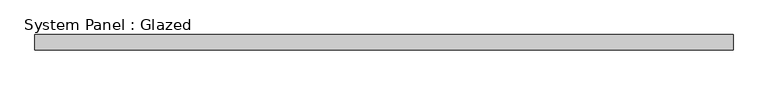
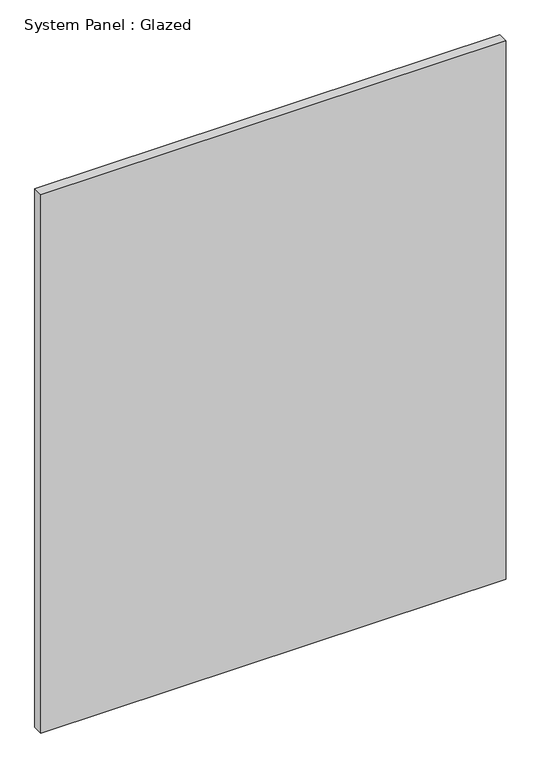
"""IFC4 building model written with IfcOpenShell, lengths in millimetres: plate geometry, System Panel : Glazed."""

import ifcopenshell
import ifcopenshell.guid

model = None  # the IFC model being written
_history = None  # IfcOwnerHistory: only IFC2X3 demands one
_inside = {}  # id of a spatial element -> (the spatial element, [elements in it])
_under = {}  # id of a project, library or spatial element -> (it, [spatial elements below it])
_declared = {}  # id of a project -> (the project, [libraries it declares])
_typed = {}  # id of a type object -> (the type object, [elements of that type])
_made_of = {}  # id of a material, layer set ... -> (it, [elements and type objects made of it])


def new_model(schema):
    """Start an empty IFC model of exactly this schema.

    Asked for "IFC4X3", IfcOpenShell would pick the latest addendum, in which some entities
    have other attributes; the version numbers below select the first issue.
    IFC2X3 requires an IfcOwnerHistory on every rooted entity: one is made here for all.
    """
    global model, _history
    if schema == "IFC4X3":
        model = ifcopenshell.file(schema_version=(4, 3, 0, 0))
    else:
        model = ifcopenshell.file(schema=schema)
    _inside.clear()
    _under.clear()
    _declared.clear()
    _typed.clear()
    _made_of.clear()
    _history = None
    if model.schema == "IFC2X3":
        org = make("IfcOrganization", Name="unknown")
        user = make(
            "IfcPersonAndOrganization",
            ThePerson=make("IfcPerson", FamilyName="unknown"),
            TheOrganization=org,
        )
        app = make(
            "IfcApplication",
            ApplicationDeveloper=org,
            Version="unknown",
            ApplicationFullName="unknown",
            ApplicationIdentifier="unknown",
        )
        _history = make(
            "IfcOwnerHistory",
            OwningUser=user,
            OwningApplication=app,
            ChangeAction="ADDED",
            CreationDate=0,
        )
    return model


def make(cls, **values):
    """One entity of the class cls with the attributes given. An attribute that is None is left unset."""
    return model.create_entity(
        cls, **{name: value for name, value in values.items() if value is not None}
    )


def rooted(cls, **values):
    """An entity with a GlobalId (a new one), such as an element, a storey or a relation."""
    return make(cls, GlobalId=ifcopenshell.guid.new(), OwnerHistory=_history, **values)


def si_unit(unit_type, name, prefix=None):
    """IfcSIUnit, for example si_unit("LENGTHUNIT", "METRE", prefix="MILLI")."""
    return make("IfcSIUnit", UnitType=unit_type, Prefix=prefix, Name=name)


def assignment(units):
    """IfcUnitAssignment: the units of a project."""
    return None if units is None else make("IfcUnitAssignment", Units=units)


def point(xyz):
    """IfcCartesianPoint."""
    return None if xyz is None else make("IfcCartesianPoint", Coordinates=xyz)


def direction(xyz):
    """IfcDirection."""
    return None if xyz is None else make("IfcDirection", DirectionRatios=xyz)


def frame(location, z_axis=None, x_axis=None):
    """IfcAxis2Placement3D, a coordinate frame: its origin and axes. An axis left out is left unset."""
    return make(
        "IfcAxis2Placement3D",
        Location=point(location),
        Axis=direction(z_axis),
        RefDirection=direction(x_axis),
    )


def origin():
    """The frame at (0, 0, 0) with its axes left unset."""
    return frame((0.0, 0.0, 0.0))


def origin_with_axes():
    """The frame at (0, 0, 0) with the z axis (0, 0, 1) and the x axis (1, 0, 0) written out."""
    return frame((0.0, 0.0, 0.0), z_axis=(0.0, 0.0, 1.0), x_axis=(1.0, 0.0, 0.0))


def place(relative_to, where):
    """IfcLocalPlacement: puts the frame where relative to a parent placement (None: the world)."""
    return make(
        "IfcLocalPlacement", PlacementRelTo=relative_to, RelativePlacement=where
    )


def context(
    kind, dimensions, precision=None, world=None, true_north=None, identifier=None
):
    """IfcGeometricRepresentationContext, for example the 3D "Model" context."""
    return make(
        "IfcGeometricRepresentationContext",
        ContextIdentifier=identifier,
        ContextType=kind,
        CoordinateSpaceDimension=dimensions,
        Precision=precision,
        WorldCoordinateSystem=world,
        TrueNorth=true_north,
    )


def project(units=None, contexts=None):
    """IfcProject with its units and contexts."""
    return rooted(
        "IfcProject",
        Name="project",
        RepresentationContexts=contexts,
        UnitsInContext=assignment(units),
    )


def spatial(cls, under=None, at=None, **own):
    """A site, building, storey or space (cls), placed at a placement, below another one or the project."""
    s = rooted(cls, ObjectPlacement=at, **own)
    if under is not None:
        _under.setdefault(under.id(), (under, []))[1].append(s)
    return s


def polyline(points):
    """IfcPolyline through the points."""
    return make("IfcPolyline", Points=[point(p) for p in points])


def outline(outer, holes=None, kind="AREA"):
    """IfcArbitraryClosedProfileDef: a profile drawn as a closed curve; with holes, ...WithVoids."""
    if holes is None:
        return make("IfcArbitraryClosedProfileDef", ProfileType=kind, OuterCurve=outer)
    return make(
        "IfcArbitraryProfileDefWithVoids",
        ProfileType=kind,
        OuterCurve=outer,
        InnerCurves=holes,
    )


def extrude(swept, where, along, depth):
    """IfcExtrudedAreaSolid: the profile swept, set in the frame where, extruded along a direction by depth."""
    return make(
        "IfcExtrudedAreaSolid",
        SweptArea=swept,
        Position=where,
        ExtrudedDirection=direction(along),
        Depth=depth,
    )


def shape(context_of_items, identifier, shape_type, items):
    """IfcShapeRepresentation: the items that make up one representation, for example the "Body"."""
    return make(
        "IfcShapeRepresentation",
        ContextOfItems=context_of_items,
        RepresentationIdentifier=identifier,
        RepresentationType=shape_type,
        Items=items,
    )


def source(mapping_origin, context_of_items, identifier, shape_type, items):
    """IfcRepresentationMap: a shape defined once, which mapped items show again and again."""
    return make(
        "IfcRepresentationMap",
        MappingOrigin=mapping_origin,
        MappedRepresentation=shape(context_of_items, identifier, shape_type, items),
    )


def transform(
    local_origin,
    x_axis=None,
    y_axis=None,
    z_axis=None,
    scale=None,
    scale2=None,
    scale3=None,
    uniform=True,
):
    """IfcCartesianTransformationOperator3D, or its non-uniform kind. x_axis, y_axis, z_axis: its Axis1, 2, 3."""
    if uniform:
        return make(
            "IfcCartesianTransformationOperator3D",
            Axis1=direction(x_axis),
            Axis2=direction(y_axis),
            LocalOrigin=point(local_origin),
            Scale=scale,
            Axis3=direction(z_axis),
        )
    return make(
        "IfcCartesianTransformationOperator3DnonUniform",
        Axis1=direction(x_axis),
        Axis2=direction(y_axis),
        LocalOrigin=point(local_origin),
        Scale=scale,
        Axis3=direction(z_axis),
        Scale2=scale2,
        Scale3=scale3,
    )


def mapped(mapping_source, mapping_target):
    """IfcMappedItem: shows the shape of a source again, moved by a transform."""
    return make(
        "IfcMappedItem", MappingSource=mapping_source, MappingTarget=mapping_target
    )


def made_of(thing, what):
    """Note that an element or type object is made of a material, layer set ...; save() writes the relation."""
    if what is not None:
        _made_of.setdefault(what.id(), (what, []))[1].append(thing)
    return thing


def element(
    cls,
    number,
    at=None,
    inside=None,
    cuts=None,
    type_object=None,
    material=None,
    context=None,
    identifier="Body",
    shape_type=None,
    held_by="IfcProductDefinitionShape",
    body=None,
    shapes=None,
    **own,
):
    """One element of the class cls, such as IfcWall. Its Tag is "e" and its number.

    at: its placement. inside: the storey or other place that contains it. cuts: it is an
    opening in that element (IfcRelVoidsElement). A single representation is given by context,
    identifier, shape_type and body (its items); several are given by shapes. held_by: the class
    of the entity that holds the representations. save() writes the other relations.
    """
    e = rooted(cls, Tag="e%d" % number, ObjectPlacement=at, **own)
    if body is not None:
        shapes = [shape(context, identifier, shape_type, body)]
    if shapes is not None:
        e.Representation = make(held_by, Representations=shapes)
    if inside is not None:
        _inside.setdefault(inside.id(), (inside, []))[1].append(e)
    if cuts is not None:
        rooted(
            "IfcRelVoidsElement", RelatingBuildingElement=cuts, RelatedOpeningElement=e
        )
    if type_object is not None:
        _typed.setdefault(type_object.id(), (type_object, []))[1].append(e)
    return made_of(e, material)


def aggregate(whole, parts):
    """IfcRelAggregates: a whole, such as a stair, and the parts it consists of."""
    return rooted("IfcRelAggregates", RelatingObject=whole, RelatedObjects=parts)


def save(model, path):
    """Write the relations noted so far, then the file.

    IfcRelAggregates (storeys below a building ...), IfcRelContainedInSpatialStructure (elements
    in a storey), IfcRelDefinesByType, IfcRelAssociatesMaterial and IfcRelDeclares: one each for
    every whole, place, type object, material and project.
    """
    for whole, parts in _under.values():
        aggregate(whole, parts)
    for where, things in _inside.values():
        rooted(
            "IfcRelContainedInSpatialStructure",
            RelatedElements=things,
            RelatingStructure=where,
        )
    for kind, things in _typed.values():
        rooted("IfcRelDefinesByType", RelatedObjects=things, RelatingType=kind)
    for what, things in _made_of.values():
        rooted("IfcRelAssociatesMaterial", RelatedObjects=things, RelatingMaterial=what)
    for by, libraries in _declared.values():
        rooted("IfcRelDeclares", RelatingContext=by, RelatedDefinitions=libraries)
    model.write(path)


def system_panel_glazed_d1500940(model_context):
    return source(origin(), model_context, "Body", "SweptSolid", [
        extrude(outline(polyline([(573.2875, 19.05), (-573.2875, 19.05), (-573.2875, 44.45), (573.2875, 44.45), (573.2875, 19.05)])), origin_with_axes(), (0.0, 0.0, 1.0), 1402.2183715),
    ])


if __name__ == "__main__":
    model = new_model("IFC4")
    model_context = context("Model", 3, world=origin())
    ifc_project = project(units=[si_unit("LENGTHUNIT", "METRE", prefix="MILLI")], contexts=[model_context])
    site = spatial("IfcSite", under=ifc_project)
    building = spatial("IfcBuilding", under=site)
    placement = place(None, origin())
    system_panel_glazed_shape = system_panel_glazed_d1500940(model_context)
    element("IfcPlate", 1, ObjectType="System Panel : Glazed", at=placement, inside=building, context=model_context, shape_type="MappedRepresentation", body=[
        mapped(system_panel_glazed_shape, transform((0.0, 0.0, 0.0), x_axis=(1.0, 0.0, 0.0), y_axis=(0.0, 1.0, 0.0), z_axis=(0.0, 0.0, 1.0))),
    ])
    save(model, "model.ifc")
